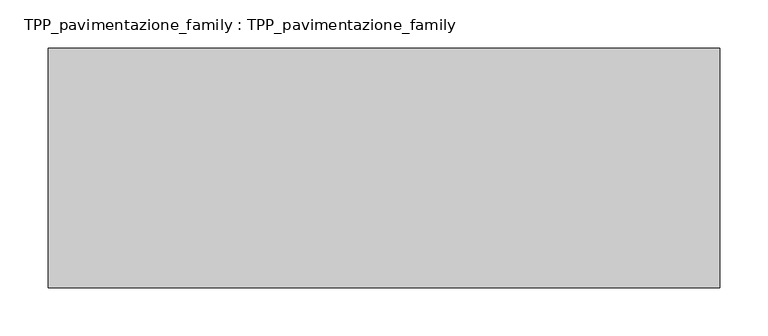
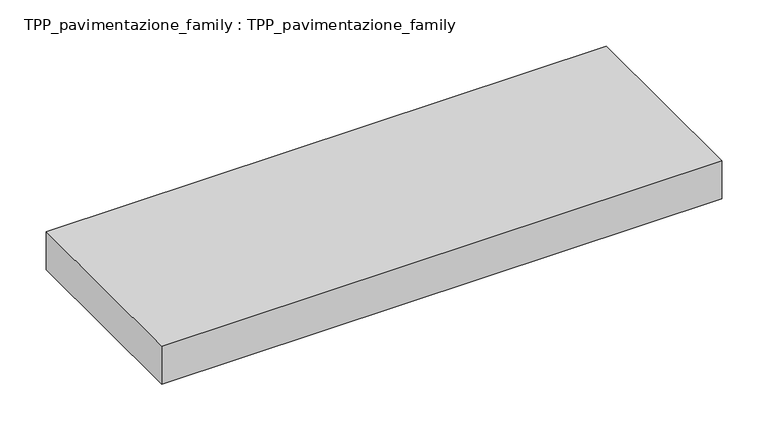
"""IFC4 building model written with IfcOpenShell, lengths in millimetres: proxy geometry, TPP_pavimentazione_family : TPP_pavimentazione_family."""

from ifc_helpers import new_model, si_unit, origin, origin_with_axes, place, context, project, spatial, polyline, outline, extrude, source, transform, mapped, element, save


def tpp_pavimentazione_family_tpp_pavimentazione_family_f28abd1c(model_context):
    return source(origin(), model_context, "Body", "SweptSolid", [
        extrude(outline(polyline([(511.8146187, 354.2201026), (511.8146187, 105.776121), (-185.1250636, 105.776121), (-185.1250636, 354.2201026), (511.8146187, 354.2201026)])), origin_with_axes(), (0.0, 0.0, 1.0), 50.0),
    ])


if __name__ == "__main__":
    model = new_model("IFC4")
    model_context = context("Model", 3, world=origin())
    ifc_project = project(units=[si_unit("LENGTHUNIT", "METRE", prefix="MILLI")], contexts=[model_context])
    site = spatial("IfcSite", under=ifc_project)
    building = spatial("IfcBuilding", under=site)
    placement = place(None, origin())
    tpp_pavimentazione_family_tpp_pavimentazione_family_shape = tpp_pavimentazione_family_tpp_pavimentazione_family_f28abd1c(model_context)
    element("IfcBuildingElementProxy", 1, Name="TPP_pavimentazione_family : TPP_pavimentazione_family", ObjectType="TPP_pavimentazione_family : TPP_pavimentazione_family", at=placement, inside=building, context=model_context, shape_type="MappedRepresentation", body=[
        mapped(tpp_pavimentazione_family_tpp_pavimentazione_family_shape, transform((0.0, 0.0, 0.0), x_axis=(1.0, 0.0, 0.0), y_axis=(0.0, 1.0, 0.0), z_axis=(0.0, 0.0, 1.0))),
    ])
    save(model, "model.ifc")
